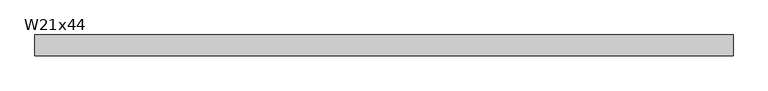
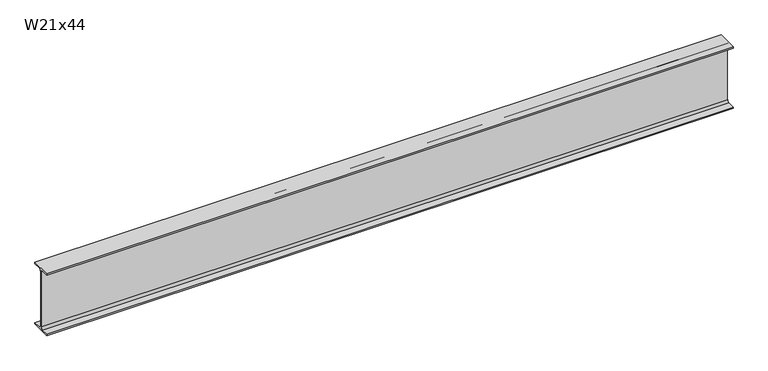
"""IFC4 building model written with IfcOpenShell, lengths in millimetres: beam geometry, W21x44."""

from ifc_helpers import new_model, si_unit, point, frame, frame_2d, origin, place, context, project, spatial, polyline, circle_curve, trimmed, segment, composite_curve, outline, extrude, source, transform, mapped, element, save


def w21x44_eb9457a6(model_context):
    return source(origin(), model_context, "Body", "SweptSolid", [
        extrude(outline(composite_curve([segment(polyline([(82.55, -251.46), (82.55, -262.89), (-82.55, -262.89), (-82.55, -251.46), (-21.59, -251.46)]), True, "CONTINUOUS"), segment(trimmed(circle_curve(frame_2d((-21.59, -234.315)), 17.145), [point((-21.59, -251.46))], [point((-4.445, -234.315))], True, "CARTESIAN"), True, "CONTINUOUS"), segment(polyline([(-4.445, -234.315), (-4.445, 234.315)]), True, "CONTINUOUS"), segment(trimmed(circle_curve(frame_2d((-21.59, 234.315)), 17.145), [point((-4.445, 234.315))], [point((-21.59, 251.46))], True, "CARTESIAN"), True, "CONTINUOUS"), segment(polyline([(-21.59, 251.46), (-82.55, 251.46), (-82.55, 262.89), (82.55, 262.89), (82.55, 251.46), (21.59, 251.46)]), True, "CONTINUOUS"), segment(trimmed(circle_curve(frame_2d((21.59, 234.315)), 17.145), [point((21.59, 251.46))], [point((4.445, 234.315))], True, "CARTESIAN"), True, "CONTINUOUS"), segment(polyline([(4.445, 234.315), (4.445, -234.315)]), True, "CONTINUOUS"), segment(trimmed(circle_curve(frame_2d((21.59, -234.315)), 17.145), [point((4.445, -234.315))], [point((21.59, -251.46))], True, "CARTESIAN"), True, "CONTINUOUS"), segment(polyline([(21.59, -251.46), (82.55, -251.46)]), True, "CONTINUOUS")], self_intersect=False)), frame((-2779.7125, 0.0, 0.0), z_axis=(1.0, 0.0, 0.0), x_axis=(0.0, 1.0, 0.0)), (0.0, 0.0, 1.0), 5522.9125),
    ])


if __name__ == "__main__":
    model = new_model("IFC4")
    model_context = context("Model", 3, world=origin())
    ifc_project = project(units=[si_unit("LENGTHUNIT", "METRE", prefix="MILLI")], contexts=[model_context])
    site = spatial("IfcSite", under=ifc_project)
    building = spatial("IfcBuilding", under=site)
    placement = place(None, origin())
    w21x44_shape = w21x44_eb9457a6(model_context)
    element("IfcBeam", 1, ObjectType="W21x44", at=placement, inside=building, context=model_context, shape_type="MappedRepresentation", body=[
        mapped(w21x44_shape, transform((0.0, 0.0, 0.0), x_axis=(1.0, 0.0, 0.0), y_axis=(0.0, 1.0, 0.0), z_axis=(0.0, 0.0, 1.0))),
    ])
    save(model, "model.ifc")
